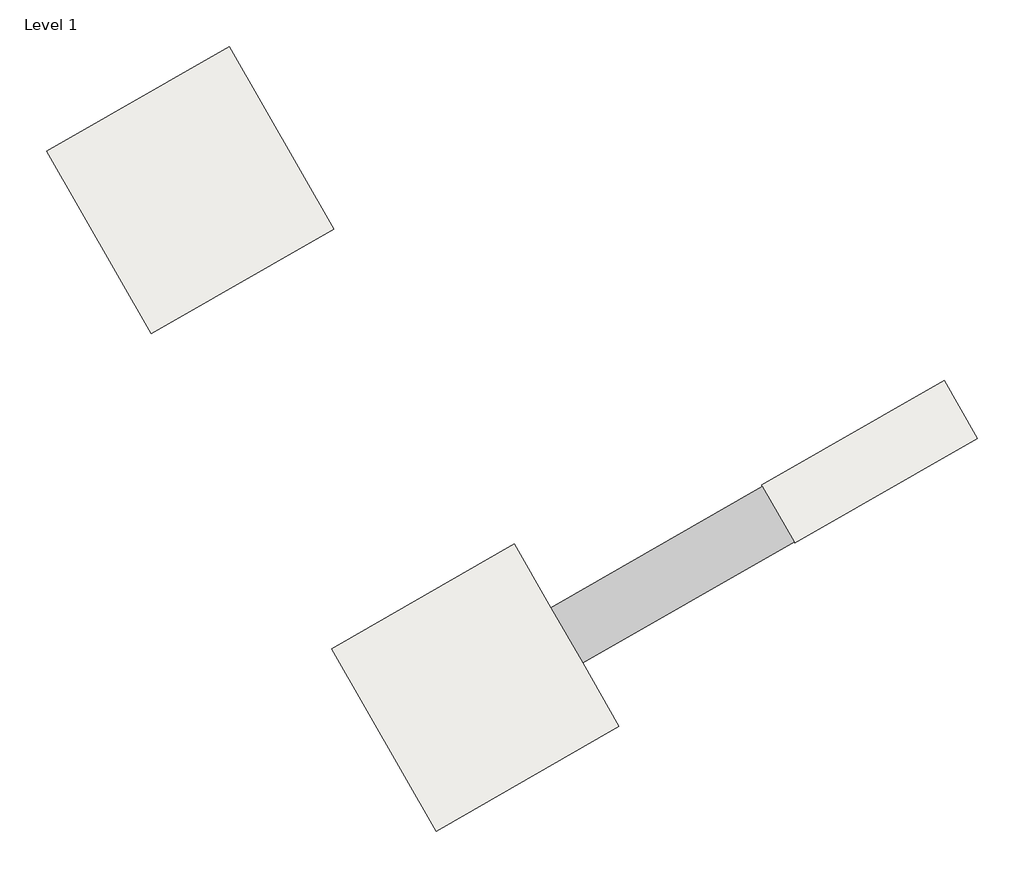
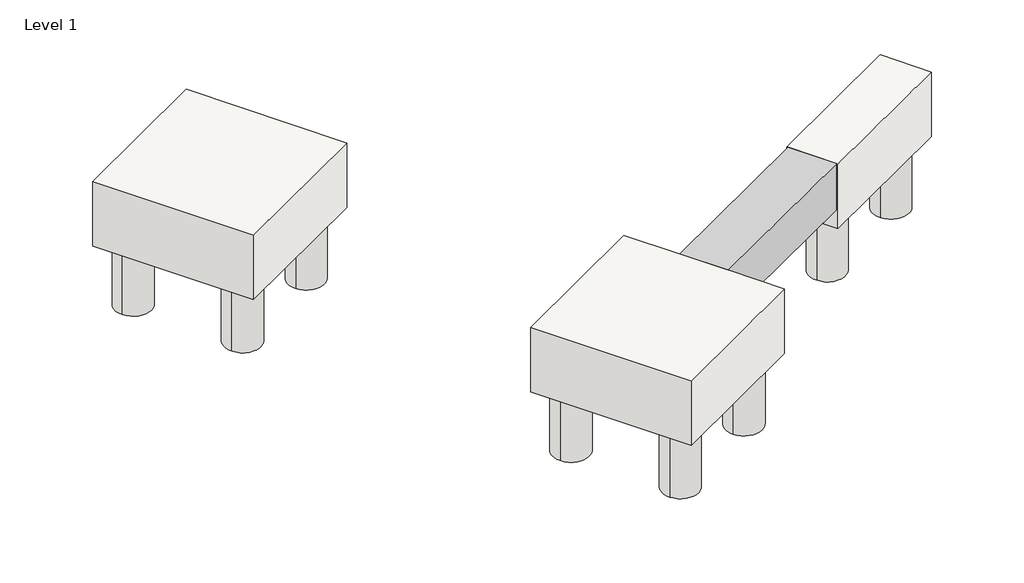
# One storey: 3 slabs, 1 beam.
"""IFC4 building model written with IfcOpenShell, lengths in millimetres."""

from ifc_helpers import new_model, si_unit, point, frame, frame_2d, origin, place, context, project, spatial, polyline, circle_curve, trimmed, segment, composite_curve, outline, extrude, faceted_brep, element, save

model = new_model("IFC4")

# Units and contexts
model_context = context("Model", 3, world=origin())
ifc_project = project(units=[si_unit("LENGTHUNIT", "METRE", prefix="MILLI")], contexts=[model_context])

# Site, building, storey
site = spatial("IfcSite", under=ifc_project)
building = spatial("IfcBuilding", under=site)
storey = spatial("IfcBuildingStorey", under=building, Name="Level 1", Elevation=0.0)

# Beam
placement = place(None, origin())
element("IfcBeam", 1, ObjectType="M_Concrete-Rectangular Beam : GB1", at=placement, inside=storey, context=model_context, shape_type="SweptSolid", body=[
    extrude(outline(polyline([(191630.8501591, -94615.1238224), (191133.6604775, -93747.481949), (194452.4256488, -91845.7301589), (194949.6153304, -92713.3720323), (191630.8501591, -94615.1238224)])), frame((0.0, 0.0, -1000.0), z_axis=(0.0, 0.0, 1.0), x_axis=(1.0, 0.0, 0.0)), (0.0, 0.0, 1.0), 1000.0),
])

# Slabs
element("IfcSlab", 2, ObjectType="PC1", at=placement, inside=storey, context=model_context, shape_type="SolidModel", body=[
    faceted_brep([(194439.9959441, -91824.0391772, 0.0), (194452.4256488, -91845.7301589, 0.0), (194949.6153304, -92713.3720323, 0.0), (194962.0451098, -92735.0631443, 0.0), (197825.2632921, -91094.337195, 0.0), (197303.2141264, -90183.3132279, 0.0), (194439.9959441, -91824.0391772, -1400.0), (197303.2141264, -90183.3132279, -1400.0), (197825.2632921, -91094.337195, -1400.0), (194962.0451098, -92735.0631443, -1400.0)], [[[0, 1, 2, 3, 4, 5]], [[6, 7, 8, 9]], [[3, 2, 1, 0, 6, 9]], [[4, 3, 9, 8]], [[5, 4, 8, 7]], [[0, 5, 7, 6]]]),
    extrude(outline(composite_curve([segment(trimmed(circle_curve(frame_2d((197108.7267257, -90899.8497943)), 375.0), [point((197434.0924283, -90713.4036637))], [point((196783.3610232, -91086.2959249))], False, "CARTESIAN"), True, "CONTINUOUS"), segment(trimmed(circle_curve(frame_2d((197108.7267257, -90899.8497943)), 375.0), [point((196783.3610232, -91086.2959249))], [point((197434.0924283, -90713.4036637))], False, "CARTESIAN"), True, "CONTINUOUS")], self_intersect=False)), frame((0.0, 0.0, -2800.0), z_axis=(0.0, 0.0, 1.0), x_axis=(1.0, 0.0, 0.0)), (0.0, 0.0, 1.0), 1500.0),
    extrude(outline(composite_curve([segment(trimmed(circle_curve(frame_2d((195156.5325105, -92018.5265779)), 375.0), [point((195481.8982131, -91832.0804473))], [point((194831.166808, -92204.9727085))], False, "CARTESIAN"), True, "CONTINUOUS"), segment(trimmed(circle_curve(frame_2d((195156.5325105, -92018.5265779)), 375.0), [point((194831.166808, -92204.9727085))], [point((195481.8982131, -91832.0804473))], False, "CARTESIAN"), True, "CONTINUOUS")], self_intersect=False)), frame((0.0, 0.0, -2800.0), z_axis=(0.0, 0.0, 1.0), x_axis=(1.0, 0.0, 0.0)), (0.0, 0.0, 1.0), 1500.0),
])
element("IfcSlab", 3, ObjectType="PC2", at=placement, inside=storey, context=model_context, shape_type="SweptSolid", body=[
    extrude(outline(composite_curve([segment(trimmed(circle_curve(frame_2d((183940.5117413, -86776.1445024)), 375.0), [point((183615.1460387, -86962.590633))], [point((184265.8774438, -86589.6983718))], False, "CARTESIAN"), True, "CONTINUOUS"), segment(trimmed(circle_curve(frame_2d((183940.5117413, -86776.1445024)), 375.0), [point((184265.8774438, -86589.6983718))], [point((183615.1460387, -86962.590633))], False, "CARTESIAN"), True, "CONTINUOUS")], self_intersect=False)), frame((0.0, 0.0, -2800.0), z_axis=(0.0, 0.0, 1.0), x_axis=(1.0, 0.0, 0.0)), (0.0, 0.0, 1.0), 1500.0),
    extrude(outline(composite_curve([segment(trimmed(circle_curve(frame_2d((185892.7059564, -85657.4677188)), 375.0), [point((185567.3402539, -85843.9138494))], [point((186218.071659, -85471.0215882))], False, "CARTESIAN"), True, "CONTINUOUS"), segment(trimmed(circle_curve(frame_2d((185892.7059564, -85657.4677188)), 375.0), [point((186218.071659, -85471.0215882))], [point((185567.3402539, -85843.9138494))], False, "CARTESIAN"), True, "CONTINUOUS")], self_intersect=False)), frame((0.0, 0.0, -2800.0), z_axis=(0.0, 0.0, 1.0), x_axis=(1.0, 0.0, 0.0)), (0.0, 0.0, 1.0), 1500.0),
    extrude(outline(composite_curve([segment(trimmed(circle_curve(frame_2d((185059.1885248, -88728.3387176)), 375.0), [point((184733.8228223, -88914.7848482))], [point((185384.5542274, -88541.892587))], False, "CARTESIAN"), True, "CONTINUOUS"), segment(trimmed(circle_curve(frame_2d((185059.1885248, -88728.3387176)), 375.0), [point((185384.5542274, -88541.892587))], [point((184733.8228223, -88914.7848482))], False, "CARTESIAN"), True, "CONTINUOUS")], self_intersect=False)), frame((0.0, 0.0, -2800.0), z_axis=(0.0, 0.0, 1.0), x_axis=(1.0, 0.0, 0.0)), (0.0, 0.0, 1.0), 1500.0),
    extrude(outline(composite_curve([segment(trimmed(circle_curve(frame_2d((187011.38274, -87609.661934)), 375.0), [point((186686.0170375, -87796.1080646))], [point((187336.7484426, -87423.2158034))], False, "CARTESIAN"), True, "CONTINUOUS"), segment(trimmed(circle_curve(frame_2d((187011.38274, -87609.661934)), 375.0), [point((187336.7484426, -87423.2158034))], [point((186686.0170375, -87796.1080646))], False, "CARTESIAN"), True, "CONTINUOUS")], self_intersect=False)), frame((0.0, 0.0, -2800.0), z_axis=(0.0, 0.0, 1.0), x_axis=(1.0, 0.0, 0.0)), (0.0, 0.0, 1.0), 1500.0),
    extrude(outline(polyline([(186087.1933572, -84940.9311524), (187727.9193064, -87804.1493347), (184864.7011241, -89444.875284), (183223.9751749, -86581.6571017), (186087.1933572, -84940.9311524)])), frame((0.0, 0.0, -1400.0), z_axis=(0.0, 0.0, 1.0), x_axis=(1.0, 0.0, 0.0)), (0.0, 0.0, 1.0), 1400.0),
])
element("IfcSlab", 4, ObjectType="PC2", at=placement, inside=storey, context=model_context, shape_type="SolidModel", body=[
    extrude(outline(composite_curve([segment(trimmed(circle_curve(frame_2d((191486.0898745, -95418.438795)), 375.0), [point((191811.455577, -95231.9926644))], [point((191160.7241719, -95604.8849256))], False, "CARTESIAN"), True, "CONTINUOUS"), segment(trimmed(circle_curve(frame_2d((191486.0898745, -95418.438795)), 375.0), [point((191160.7241719, -95604.8849256))], [point((191811.455577, -95231.9926644))], False, "CARTESIAN"), True, "CONTINUOUS")], self_intersect=False)), frame((0.0, 0.0, -2800.0), z_axis=(0.0, 0.0, 1.0), x_axis=(1.0, 0.0, 0.0)), (0.0, 0.0, 1.0), 1500.0),
    extrude(outline(composite_curve([segment(trimmed(circle_curve(frame_2d((189533.8956593, -96537.1155786)), 375.0), [point((189859.2613618, -96350.669448))], [point((189208.5299567, -96723.5617092))], False, "CARTESIAN"), True, "CONTINUOUS"), segment(trimmed(circle_curve(frame_2d((189533.8956593, -96537.1155786)), 375.0), [point((189208.5299567, -96723.5617092))], [point((189859.2613618, -96350.669448))], False, "CARTESIAN"), True, "CONTINUOUS")], self_intersect=False)), frame((0.0, 0.0, -2800.0), z_axis=(0.0, 0.0, 1.0), x_axis=(1.0, 0.0, 0.0)), (0.0, 0.0, 1.0), 1500.0),
    extrude(outline(composite_curve([segment(trimmed(circle_curve(frame_2d((190367.4130909, -93466.2445798)), 375.0), [point((190692.7787934, -93279.7984492))], [point((190042.0473883, -93652.6907104))], False, "CARTESIAN"), True, "CONTINUOUS"), segment(trimmed(circle_curve(frame_2d((190367.4130909, -93466.2445798)), 375.0), [point((190042.0473883, -93652.6907104))], [point((190692.7787934, -93279.7984492))], False, "CARTESIAN"), True, "CONTINUOUS")], self_intersect=False)), frame((0.0, 0.0, -2800.0), z_axis=(0.0, 0.0, 1.0), x_axis=(1.0, 0.0, 0.0)), (0.0, 0.0, 1.0), 1500.0),
    extrude(outline(composite_curve([segment(trimmed(circle_curve(frame_2d((188415.2188757, -94584.9213634)), 375.0), [point((188740.5845782, -94398.4752328))], [point((188089.8531732, -94771.367494))], False, "CARTESIAN"), True, "CONTINUOUS"), segment(trimmed(circle_curve(frame_2d((188415.2188757, -94584.9213634)), 375.0), [point((188089.8531732, -94771.367494))], [point((188740.5845782, -94398.4752328))], False, "CARTESIAN"), True, "CONTINUOUS")], self_intersect=False)), frame((0.0, 0.0, -2800.0), z_axis=(0.0, 0.0, 1.0), x_axis=(1.0, 0.0, 0.0)), (0.0, 0.0, 1.0), 1500.0),
    faceted_brep([(189339.4082586, -97253.652145, 0.0), (192202.6264409, -95612.9261957, 0.0), (191630.8501591, -94615.1238224, 0.0), (191133.6604775, -93747.481949, 0.0), (190561.9004916, -92749.7080134, 0.0), (187698.6823093, -94390.4339627, 0.0), (189339.4082586, -97253.652145, -1400.0), (187698.6823093, -94390.4339627, -1400.0), (190561.9004916, -92749.7080134, -1400.0), (192202.6264409, -95612.9261957, -1400.0)], [[[0, 1, 2, 3, 4, 5]], [[6, 7, 8, 9]], [[1, 0, 6, 9]], [[4, 3, 2, 1, 9, 8]], [[5, 4, 8, 7]], [[0, 5, 7, 6]]]),
])

save(model, "model.ifc")
